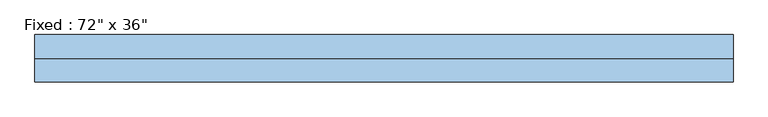
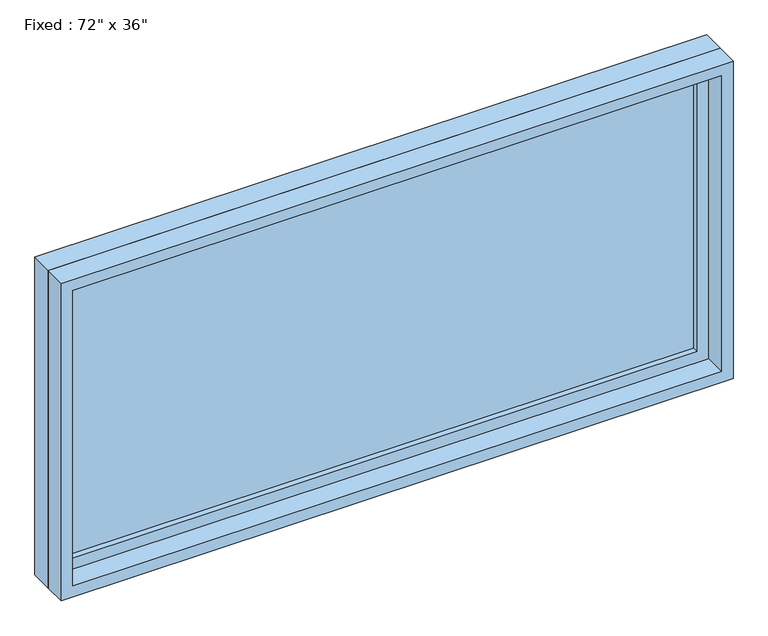
"""IFC4 building model written with IfcOpenShell, lengths in millimetres: window geometry."""

from ifc_helpers import new_model, si_unit, frame, origin, place, context, project, spatial, polyline, outline, extrude, source, transform, mapped, element, save


def window_b2fb2fba(model_context):
    return source(origin(), model_context, "Body", "SweptSolid", [
        extrude(outline(polyline([(812.8, 14.2875), (-889.0, 14.2875), (-889.0, 26.9875), (812.8, 26.9875), (812.8, 14.2875)])), frame((0.0, 0.0, 1282.7), z_axis=(0.0, 0.0, 1.0), x_axis=(1.0, 0.0, 0.0)), (0.0, 0.0, 1.0), 787.4),
        extrude(outline(polyline([(2114.55, -933.45), (1238.25, -933.45), (1238.25, 857.25), (2114.55, 857.25), (2114.55, -933.45)]), holes=[polyline([(2070.1, -889.0), (2070.1, 812.8), (1282.7, 812.8), (1282.7, -889.0), (2070.1, -889.0)])]), frame((0.0, -1.5875, 0.0), z_axis=(0.0, 1.0, 0.0), x_axis=(0.0, 0.0, 1.0)), (0.0, 0.0, 1.0), 44.45),
        extrude(outline(polyline([(2133.6, -952.5), (1219.2, -952.5), (1219.2, 876.3), (2133.6, 876.3), (2133.6, -952.5)]), holes=[polyline([(2101.85, -920.75), (2101.85, 844.55), (1250.95, 844.55), (1250.95, -920.75), (2101.85, -920.75)])]), frame((0.0, -61.9125, 0.0), z_axis=(0.0, 1.0, 0.0), x_axis=(0.0, 0.0, 1.0)), (0.0, 0.0, 1.0), 60.325),
        extrude(outline(polyline([(2133.6, 876.3), (2133.6, -952.5), (1219.2, -952.5), (1219.2, 876.3), (2133.6, 876.3)]), holes=[polyline([(2114.55, 857.25), (1238.25, 857.25), (1238.25, -933.45), (2114.55, -933.45), (2114.55, 857.25)])]), frame((0.0, -1.5875, 0.0), z_axis=(0.0, 1.0, 0.0), x_axis=(0.0, 0.0, 1.0)), (0.0, 0.0, 1.0), 63.5),
    ])


if __name__ == "__main__":
    model = new_model("IFC4")
    model_context = context("Model", 3, world=origin())
    ifc_project = project(units=[si_unit("LENGTHUNIT", "METRE", prefix="MILLI")], contexts=[model_context])
    site = spatial("IfcSite", under=ifc_project)
    building = spatial("IfcBuilding", under=site)
    placement = place(None, origin())
    window_shape = window_b2fb2fba(model_context)
    element("IfcWindow", 1, ObjectType="Fixed : 72\" x 36\"", at=placement, inside=building, context=model_context, shape_type="MappedRepresentation", body=[
        mapped(window_shape, transform((0.0, 0.0, 0.0), x_axis=(1.0, 0.0, 0.0), y_axis=(0.0, 1.0, 0.0), z_axis=(0.0, 0.0, 1.0))),
    ])
    save(model, "model.ifc")
